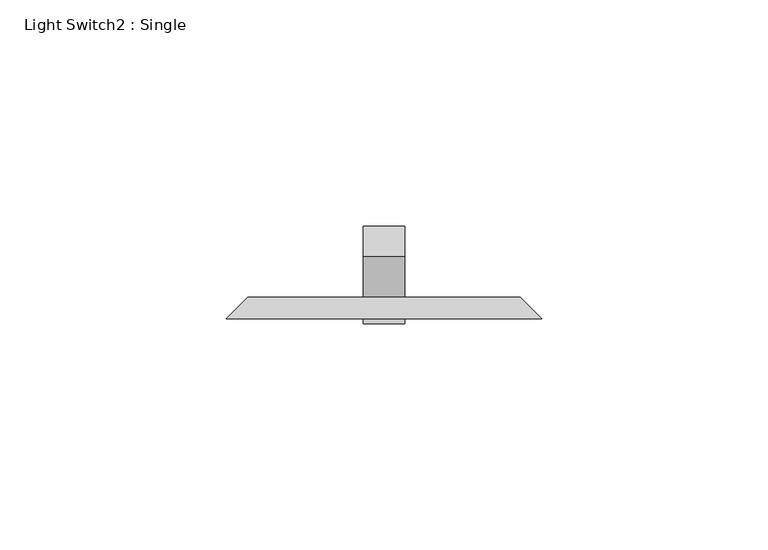
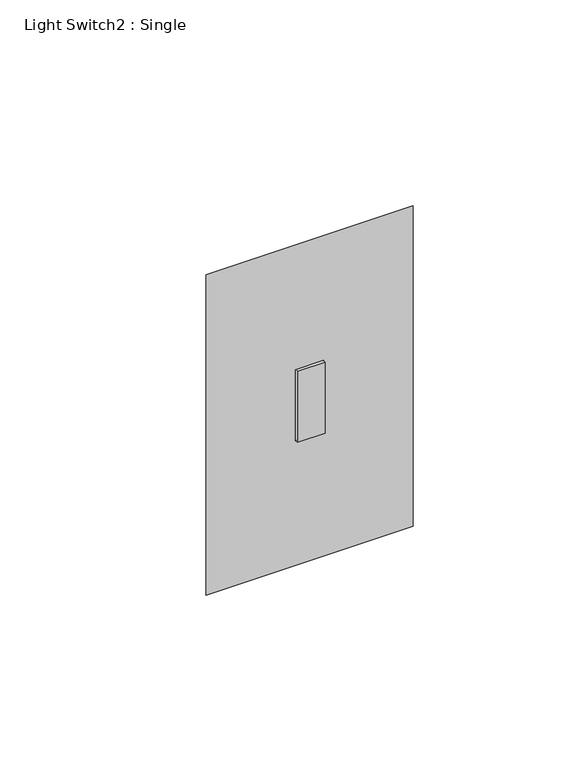
"""IFC4 building model written with IfcOpenShell, lengths in millimetres: proxy geometry, Light Switch2 : Single."""

from ifc_helpers import new_model, si_unit, frame, origin, place, context, project, spatial, polyline, outline, extrude, faceted_brep, source, transform, mapped, element, save


def light_switch2_single_8eacc0be(model_context):
    return source(origin(), model_context, "Body", "SolidModel", [
        faceted_brep([(-30.1625, 66.675, 357.1875), (30.1625, 66.675, 357.1875), (30.1625, 66.675, 252.4125), (-30.1625, 66.675, 252.4125), (-4.7625, 66.675, 317.5), (-4.7625, 66.675, 292.1), (4.7625, 66.675, 292.1), (4.7625, 66.675, 317.5), (-34.925, 61.9125, 361.95), (-34.925, 61.9125, 247.65), (34.925, 61.9125, 247.65), (34.925, 61.9125, 361.95), (-4.7625, 61.9125, 292.1), (-4.7625, 61.9125, 317.5), (4.7625, 61.9125, 317.5), (4.7625, 61.9125, 292.1)], [[[0, 1, 2, 3], [4, 5, 6, 7]], [[8, 9, 10, 11], [12, 13, 14, 15]], [[1, 0, 8, 11]], [[2, 1, 11, 10]], [[3, 2, 10, 9]], [[0, 3, 9, 8]], [[4, 13, 12, 5]], [[5, 12, 15, 6]], [[6, 15, 14, 7]], [[13, 4, 7, 14]]]),
        extrude(outline(polyline([(75.6552561, 325.4978515), (82.3904482, 318.7626595), (66.675, 303.0472112), (66.675, 294.247253), (65.4352829, 292.1), (60.8233809, 292.1), (60.8233809, 317.5), (65.6925954, 317.5), (66.675, 316.5175954), (75.6552561, 325.4978515)])), frame((-4.6077278, 0.0, 0.0), z_axis=(1.0, 0.0, 0.0), x_axis=(0.0, 1.0, 0.0)), (0.0, 0.0, 1.0), 9.2225805),
    ])


if __name__ == "__main__":
    model = new_model("IFC4")
    model_context = context("Model", 3, world=origin())
    ifc_project = project(units=[si_unit("LENGTHUNIT", "METRE", prefix="MILLI")], contexts=[model_context])
    site = spatial("IfcSite", under=ifc_project)
    building = spatial("IfcBuilding", under=site)
    placement = place(None, origin())
    light_switch2_single_shape = light_switch2_single_8eacc0be(model_context)
    element("IfcBuildingElementProxy", 1, Name="Light Switch2 : Single", ObjectType="Light Switch2 : Single", at=placement, inside=building, context=model_context, shape_type="MappedRepresentation", body=[
        mapped(light_switch2_single_shape, transform((0.0, 0.0, 0.0), x_axis=(1.0, 0.0, 0.0), y_axis=(0.0, 1.0, 0.0), z_axis=(0.0, 0.0, 1.0))),
    ])
    save(model, "model.ifc")
